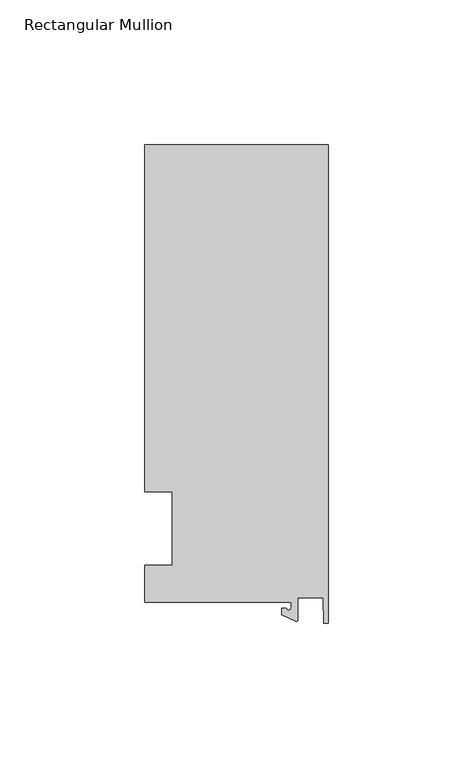
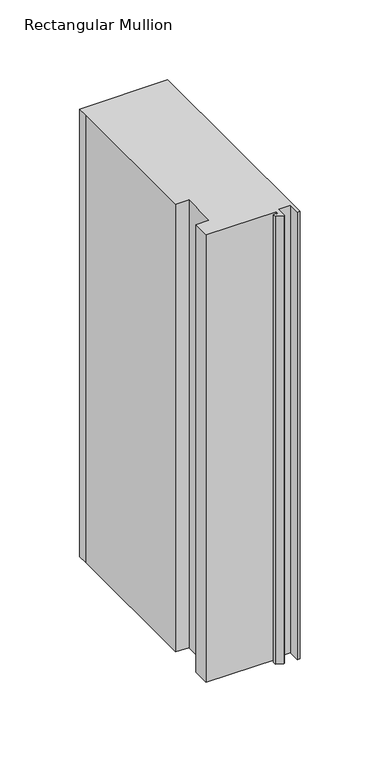
"""IFC4 building model written with IfcOpenShell, lengths in millimetres: member geometry, Rectangular Mullion."""

from ifc_helpers import new_model, si_unit, point, frame, frame_2d, origin, place, context, project, spatial, polyline, circle_curve, trimmed, segment, composite_curve, outline, extrude, source, transform, mapped, element, save


def rectangular_mullion_a68879cc(model_context):
    return source(origin(), model_context, "Body", "SweptSolid", [
        extrude(outline(composite_curve([segment(polyline([(-12.8216721, -25.5984375), (-63.5, -25.5984375), (-63.5, -12.7), (-53.975, -12.7), (-53.975, 12.7), (-63.5, 12.7), (-63.5, 125.075512), (-63.5, 132.822512), (0.0, 132.822512), (0.0, -32.810012), (-1.5566453, -32.810012), (-1.7144124, -23.9227662), (-10.4340721, -23.9227662), (-10.4340721, -31.6795354)]), True, "CONTINUOUS"), segment(trimmed(circle_curve(frame_2d((-10.9420721, -31.6795354)), 0.508), [point((-10.4340721, -31.6795354))], [point((-11.1567622, -32.1399398))], False, "CARTESIAN"), True, "CONTINUOUS"), segment(polyline([(-11.1567622, -32.1399398), (-15.9966721, -29.8830527), (-15.9966721, -27.5208534), (-14.4091721, -27.5208534)]), True, "CONTINUOUS"), segment(trimmed(circle_curve(frame_2d((-13.6154221, -27.5208534)), 0.79375), [point((-14.4091721, -27.5208534))], [point((-12.8216721, -27.5208534))], True, "CARTESIAN"), True, "CONTINUOUS"), segment(polyline([(-12.8216721, -27.5208534), (-12.8216721, -25.5984375)]), True, "CONTINUOUS")], self_intersect=False)), frame((0.0, 0.0, -341.95385), z_axis=(0.0, 0.0, 1.0), x_axis=(1.0, 0.0, 0.0)), (0.0, 0.0, 1.0), 341.95385),
    ])


if __name__ == "__main__":
    model = new_model("IFC4")
    model_context = context("Model", 3, world=origin())
    ifc_project = project(units=[si_unit("LENGTHUNIT", "METRE", prefix="MILLI")], contexts=[model_context])
    site = spatial("IfcSite", under=ifc_project)
    building = spatial("IfcBuilding", under=site)
    placement = place(None, origin())
    rectangular_mullion_shape = rectangular_mullion_a68879cc(model_context)
    element("IfcMember", 1, ObjectType="Rectangular Mullion", at=placement, inside=building, context=model_context, shape_type="MappedRepresentation", body=[
        mapped(rectangular_mullion_shape, transform((0.0, 0.0, 0.0), x_axis=(1.0, 0.0, 0.0), y_axis=(0.0, 1.0, 0.0), z_axis=(0.0, 0.0, 1.0))),
    ])
    save(model, "model.ifc")
